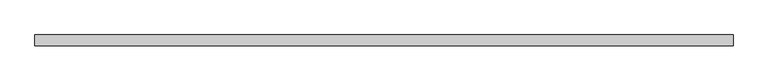
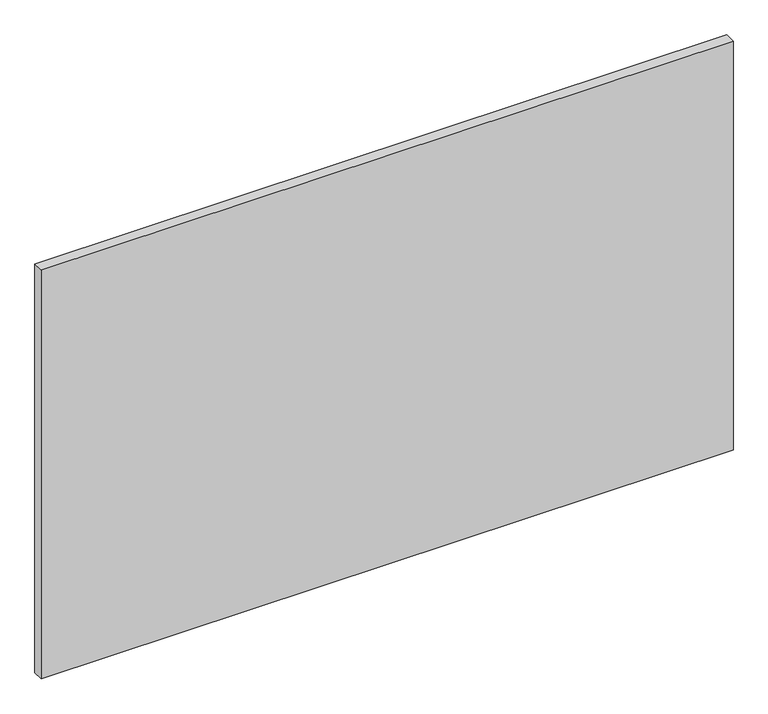
"""IFC4 building model written with IfcOpenShell, lengths in millimetres: plate geometry."""

from ifc_helpers import new_model, si_unit, origin, origin_with_axes, place, context, project, spatial, polyline, outline, extrude, source, transform, mapped, element, save


def plate_7cbe3d00(model_context):
    return source(origin(), model_context, "Body", "SweptSolid", [
        extrude(outline(polyline([(800.0, 24.5), (-800.0, 24.5), (-800.0, 49.5), (800.0, 49.5), (800.0, 24.5)])), origin_with_axes(), (0.0, 0.0, 1.0), 1000.0),
    ])


if __name__ == "__main__":
    model = new_model("IFC4")
    model_context = context("Model", 3, world=origin())
    ifc_project = project(units=[si_unit("LENGTHUNIT", "METRE", prefix="MILLI")], contexts=[model_context])
    site = spatial("IfcSite", under=ifc_project)
    building = spatial("IfcBuilding", under=site)
    placement = place(None, origin())
    plate_shape = plate_7cbe3d00(model_context)
    element("IfcPlate", 1, at=placement, inside=building, context=model_context, shape_type="MappedRepresentation", body=[
        mapped(plate_shape, transform((0.0, 0.0, 0.0), x_axis=(1.0, 0.0, 0.0), y_axis=(0.0, 1.0, 0.0), z_axis=(0.0, 0.0, 1.0))),
    ])
    save(model, "model.ifc")
